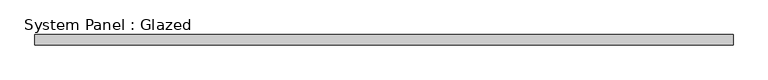
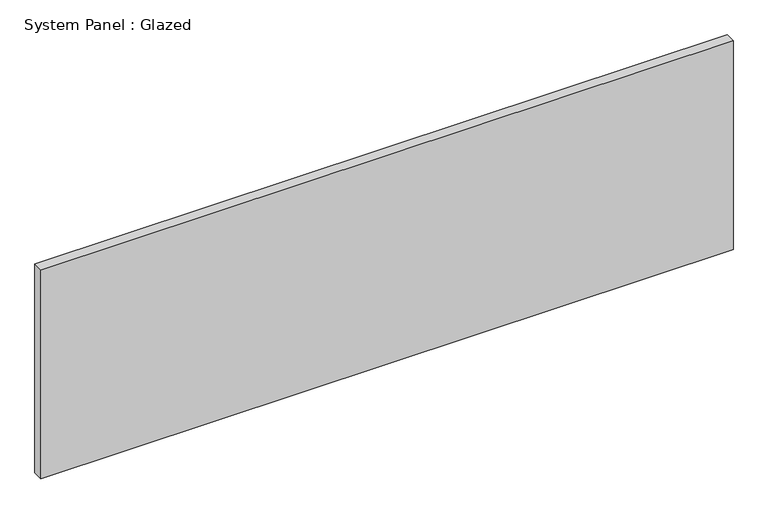
"""IFC4 building model written with IfcOpenShell, lengths in millimetres: plate geometry, System Panel : Glazed."""

from ifc_helpers import new_model, si_unit, origin, origin_with_axes, place, context, project, spatial, polyline, outline, extrude, source, transform, mapped, element, save


def system_panel_glazed_659a0eaf(model_context):
    return source(origin(), model_context, "Body", "SweptSolid", [
        extrude(outline(polyline([(864.6583333, -12.7), (-864.6583333, -12.7), (-864.6583333, 12.7), (864.6583333, 12.7), (864.6583333, -12.7)])), origin_with_axes(), (0.0, 0.0, 1.0), 552.45),
    ])


if __name__ == "__main__":
    model = new_model("IFC4")
    model_context = context("Model", 3, world=origin())
    ifc_project = project(units=[si_unit("LENGTHUNIT", "METRE", prefix="MILLI")], contexts=[model_context])
    site = spatial("IfcSite", under=ifc_project)
    building = spatial("IfcBuilding", under=site)
    placement = place(None, origin())
    system_panel_glazed_shape = system_panel_glazed_659a0eaf(model_context)
    element("IfcPlate", 1, ObjectType="System Panel : Glazed", at=placement, inside=building, context=model_context, shape_type="MappedRepresentation", body=[
        mapped(system_panel_glazed_shape, transform((0.0, 0.0, 0.0), x_axis=(1.0, 0.0, 0.0), y_axis=(0.0, 1.0, 0.0), z_axis=(0.0, 0.0, 1.0))),
    ])
    save(model, "model.ifc")
